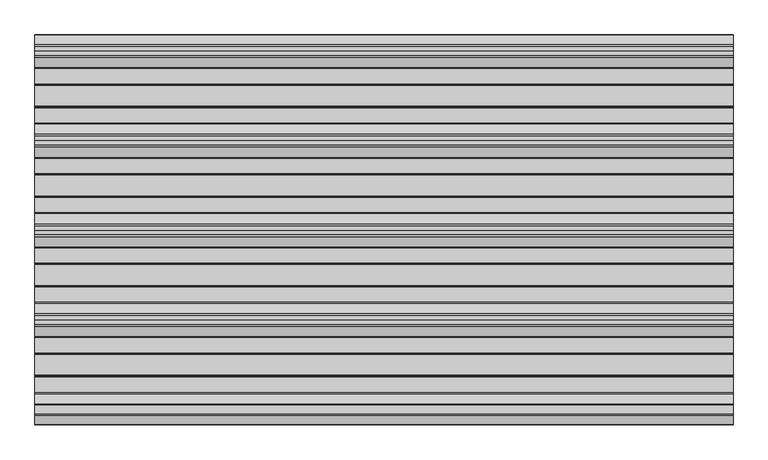
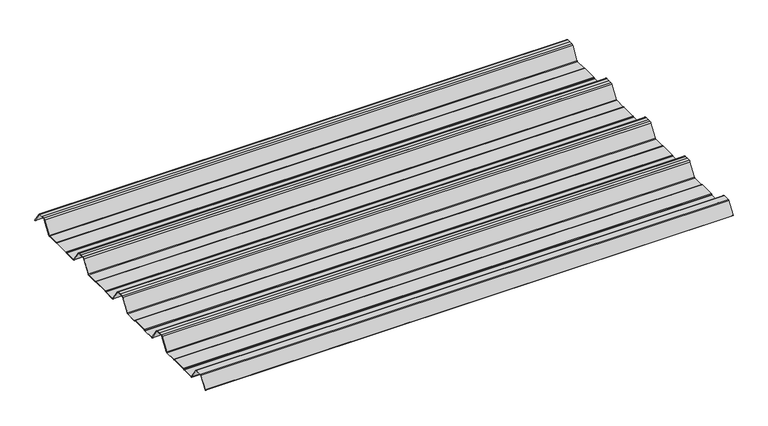
"""IFC4 building model written with IfcOpenShell, lengths in millimetres: beam geometry."""

from ifc_helpers import new_model, si_unit, point, frame, frame_2d, origin, place, context, project, spatial, polyline, circle_curve, trimmed, segment, composite_curve, outline, extrude, source, transform, mapped, element, save


def beam_51549bfa(model_context):
    return source(origin(), model_context, "Body", "SweptSolid", [
        extrude(outline(composite_curve([segment(polyline([(42.8221294, -24.7896475), (85.1084274, -24.7896475)]), True, "CONTINUOUS"), segment(trimmed(circle_curve(frame_2d((85.1084274, -23.5700111)), 1.2196364), [point((85.1084274, -24.7896475))], [point((85.8923943, -24.504307))], True, "CARTESIAN"), True, "CONTINUOUS"), segment(polyline([(85.8923943, -24.504307), (86.9460452, -23.6201894)]), True, "CONTINUOUS"), segment(trimmed(circle_curve(frame_2d((89.2279412, -26.3396487)), 3.5500012), [point((86.9460452, -23.6201894))], [point((89.2279412, -22.7896475))], False, "CARTESIAN"), True, "CONTINUOUS"), segment(polyline([(89.2279412, -22.7896475), (143.2720588, -22.7896475)]), True, "CONTINUOUS"), segment(trimmed(circle_curve(frame_2d((143.2720588, -26.3396487)), 3.5500012), [point((143.2720588, -22.7896475))], [point((145.5539548, -23.6201894))], False, "CARTESIAN"), True, "CONTINUOUS"), segment(polyline([(145.5539548, -23.6201894), (146.6076057, -24.504307)]), True, "CONTINUOUS"), segment(trimmed(circle_curve(frame_2d((147.3915726, -23.5700111)), 1.2196364), [point((146.6076057, -24.504307))], [point((147.3915726, -24.7896475))], True, "CARTESIAN"), True, "CONTINUOUS"), segment(polyline([(147.3915726, -24.7896475), (186.4999995, -24.7896475)]), True, "CONTINUOUS"), segment(trimmed(circle_curve(frame_2d((186.4999995, -21.3396478)), 3.4499996), [point((186.4999995, -24.7896475))], [point((189.3260739, -23.3184861))], True, "CARTESIAN"), True, "CONTINUOUS"), segment(polyline([(189.3260739, -23.3184861), (215.6345542, 16.4172784)]), True, "CONTINUOUS"), segment(trimmed(circle_curve(frame_2d((221.0, 12.6603525)), 6.55), [point((215.6345542, 16.4172784))], [point((221.0, 19.2103525))], False, "CARTESIAN"), True, "CONTINUOUS"), segment(polyline([(221.0, 19.2103525), (232.5, 19.2103525), (244.0, 19.2103525)]), True, "CONTINUOUS"), segment(trimmed(circle_curve(frame_2d((244.0, 12.6603525)), 6.55), [point((244.0, 19.2103525))], [point((249.3654458, 16.4172784))], False, "CARTESIAN"), True, "CONTINUOUS"), segment(polyline([(249.3654458, 16.4172784), (275.6739261, -23.3184861)]), True, "CONTINUOUS"), segment(trimmed(circle_curve(frame_2d((278.5000005, -21.3396478)), 3.4499996), [point((275.6739261, -23.3184861))], [point((278.5000005, -24.7896475))], True, "CARTESIAN"), True, "CONTINUOUS"), segment(polyline([(278.5000005, -24.7896475), (317.6084274, -24.7896475)]), True, "CONTINUOUS"), segment(trimmed(circle_curve(frame_2d((317.6084274, -23.5700111)), 1.2196364), [point((317.6084274, -24.7896475))], [point((318.3923943, -24.504307))], True, "CARTESIAN"), True, "CONTINUOUS"), segment(polyline([(318.3923943, -24.504307), (319.4460452, -23.6201894)]), True, "CONTINUOUS"), segment(trimmed(circle_curve(frame_2d((321.7279412, -26.3396487)), 3.5500012), [point((319.4460452, -23.6201894))], [point((321.7279412, -22.7896475))], False, "CARTESIAN"), True, "CONTINUOUS"), segment(polyline([(321.7279412, -22.7896475), (375.7720588, -22.7896475)]), True, "CONTINUOUS"), segment(trimmed(circle_curve(frame_2d((375.7720588, -26.3396487)), 3.5500012), [point((375.7720588, -22.7896475))], [point((378.0539548, -23.6201894))], False, "CARTESIAN"), True, "CONTINUOUS"), segment(polyline([(378.0539548, -23.6201894), (379.1076057, -24.504307)]), True, "CONTINUOUS"), segment(trimmed(circle_curve(frame_2d((379.8915726, -23.5700111)), 1.2196364), [point((379.1076057, -24.504307))], [point((379.8915726, -24.7896475))], True, "CARTESIAN"), True, "CONTINUOUS"), segment(polyline([(379.8915726, -24.7896475), (418.9999995, -24.7896475)]), True, "CONTINUOUS"), segment(trimmed(circle_curve(frame_2d((418.9999995, -21.3396478)), 3.4499996), [point((418.9999995, -24.7896475))], [point((421.8260739, -23.3184861))], True, "CARTESIAN"), True, "CONTINUOUS"), segment(polyline([(421.8260739, -23.3184861), (448.1345542, 16.4172784)]), True, "CONTINUOUS"), segment(trimmed(circle_curve(frame_2d((453.5, 12.6603525)), 6.55), [point((448.1345542, 16.4172784))], [point((453.5, 19.2103525))], False, "CARTESIAN"), True, "CONTINUOUS"), segment(polyline([(453.5, 19.2103525), (465.0, 19.2103525), (476.5, 19.2103525)]), True, "CONTINUOUS"), segment(trimmed(circle_curve(frame_2d((476.5, 12.6603525)), 6.55), [point((476.5, 19.2103525))], [point((481.8654458, 16.4172784))], False, "CARTESIAN"), True, "CONTINUOUS"), segment(polyline([(481.8654458, 16.4172784), (508.1739261, -23.3184861)]), True, "CONTINUOUS"), segment(trimmed(circle_curve(frame_2d((511.0000005, -21.3396478)), 3.4499996), [point((508.1739261, -23.3184861))], [point((511.0000005, -24.7896475))], True, "CARTESIAN"), True, "CONTINUOUS"), segment(polyline([(511.0000005, -24.7896475), (550.1084274, -24.7896475)]), True, "CONTINUOUS"), segment(trimmed(circle_curve(frame_2d((550.1084274, -23.5700111)), 1.2196364), [point((550.1084274, -24.7896475))], [point((550.8923943, -24.504307))], True, "CARTESIAN"), True, "CONTINUOUS"), segment(polyline([(550.8923943, -24.504307), (551.9460452, -23.6201894)]), True, "CONTINUOUS"), segment(trimmed(circle_curve(frame_2d((554.2279412, -26.3396487)), 3.5500012), [point((551.9460452, -23.6201894))], [point((554.2279412, -22.7896475))], False, "CARTESIAN"), True, "CONTINUOUS"), segment(polyline([(554.2279412, -22.7896475), (608.2720588, -22.7896475)]), True, "CONTINUOUS"), segment(trimmed(circle_curve(frame_2d((608.2720588, -26.3396487)), 3.5500012), [point((608.2720588, -22.7896475))], [point((610.5539548, -23.6201894))], False, "CARTESIAN"), True, "CONTINUOUS"), segment(polyline([(610.5539548, -23.6201894), (611.6076057, -24.504307)]), True, "CONTINUOUS"), segment(trimmed(circle_curve(frame_2d((612.3915726, -23.5700111)), 1.2196364), [point((611.6076057, -24.504307))], [point((612.3915726, -24.7896475))], True, "CARTESIAN"), True, "CONTINUOUS"), segment(polyline([(612.3915726, -24.7896475), (651.4999995, -24.7896475)]), True, "CONTINUOUS"), segment(trimmed(circle_curve(frame_2d((651.4999995, -21.3396478)), 3.4499996), [point((651.4999995, -24.7896475))], [point((654.3260739, -23.3184861))], True, "CARTESIAN"), True, "CONTINUOUS"), segment(polyline([(654.3260739, -23.3184861), (680.6345542, 16.4172784)]), True, "CONTINUOUS"), segment(trimmed(circle_curve(frame_2d((686.0, 12.6603525)), 6.55), [point((680.6345542, 16.4172784))], [point((686.0, 19.2103525))], False, "CARTESIAN"), True, "CONTINUOUS"), segment(polyline([(686.0, 19.2103525), (697.5, 19.2103525), (709.0, 19.2103525)]), True, "CONTINUOUS"), segment(trimmed(circle_curve(frame_2d((709.0, 12.6603525)), 6.55), [point((709.0, 19.2103525))], [point((714.3654458, 16.4172784))], False, "CARTESIAN"), True, "CONTINUOUS"), segment(polyline([(714.3654458, 16.4172784), (740.6739261, -23.3184861)]), True, "CONTINUOUS"), segment(trimmed(circle_curve(frame_2d((743.5000005, -21.3396478)), 3.4499996), [point((740.6739261, -23.3184861))], [point((743.5000005, -24.7896475))], True, "CARTESIAN"), True, "CONTINUOUS"), segment(polyline([(743.5000005, -24.7896475), (782.6084274, -24.7896475)]), True, "CONTINUOUS"), segment(trimmed(circle_curve(frame_2d((782.6084274, -23.5700111)), 1.2196364), [point((782.6084274, -24.7896475))], [point((783.3923943, -24.504307))], True, "CARTESIAN"), True, "CONTINUOUS"), segment(polyline([(783.3923943, -24.504307), (784.4460452, -23.6201894)]), True, "CONTINUOUS"), segment(trimmed(circle_curve(frame_2d((786.7279412, -26.3396487)), 3.5500012), [point((784.4460452, -23.6201894))], [point((786.7279412, -22.7896475))], False, "CARTESIAN"), True, "CONTINUOUS"), segment(polyline([(786.7279412, -22.7896475), (840.7720588, -22.7896475)]), True, "CONTINUOUS"), segment(trimmed(circle_curve(frame_2d((840.7720588, -26.3396487)), 3.5500012), [point((840.7720588, -22.7896475))], [point((843.0539548, -23.6201894))], False, "CARTESIAN"), True, "CONTINUOUS"), segment(polyline([(843.0539548, -23.6201894), (844.1076057, -24.504307)]), True, "CONTINUOUS"), segment(trimmed(circle_curve(frame_2d((844.8915726, -23.5700111)), 1.2196364), [point((844.1076057, -24.504307))], [point((844.8915726, -24.7896475))], True, "CARTESIAN"), True, "CONTINUOUS"), segment(polyline([(844.8915726, -24.7896475), (883.9999995, -24.7896475)]), True, "CONTINUOUS"), segment(trimmed(circle_curve(frame_2d((883.9999995, -21.3396478)), 3.4499996), [point((883.9999995, -24.7896475))], [point((886.8260739, -23.3184861))], True, "CARTESIAN"), True, "CONTINUOUS"), segment(polyline([(886.8260739, -23.3184861), (913.1345542, 16.4172784)]), True, "CONTINUOUS"), segment(trimmed(circle_curve(frame_2d((918.5, 12.6603525)), 6.55), [point((913.1345542, 16.4172784))], [point((918.5, 19.2103525))], False, "CARTESIAN"), True, "CONTINUOUS"), segment(polyline([(918.5, 19.2103525), (930.0, 19.2103525), (941.5, 19.2103525)]), True, "CONTINUOUS"), segment(trimmed(circle_curve(frame_2d((941.5, 12.6603525)), 6.55), [point((941.5, 19.2103525))], [point((946.8654458, 16.4172784))], False, "CARTESIAN"), True, "CONTINUOUS"), segment(polyline([(946.8654458, 16.4172784), (970.8053395, -19.7410236)]), True, "CONTINUOUS"), segment(trimmed(circle_curve(frame_2d((970.3884349, -20.0170501)), 0.5), [point((970.8053395, -19.7410236))], [point((969.9715304, -20.2930766))], False, "CARTESIAN"), True, "CONTINUOUS"), segment(polyline([(969.9715304, -20.2930766), (946.0391227, 15.8539187)]), True, "CONTINUOUS"), segment(trimmed(circle_curve(frame_2d((941.5, 12.6603525)), 5.55), [point((946.0391227, 15.8539187))], [point((941.5, 18.2103525))], True, "CARTESIAN"), True, "CONTINUOUS"), segment(polyline([(941.5, 18.2103525), (930.0, 18.2103525), (918.5, 18.2103525)]), True, "CONTINUOUS"), segment(trimmed(circle_curve(frame_2d((918.5, 12.6603525)), 5.55), [point((918.5, 18.2103525))], [point((913.9608773, 15.8539187))], True, "CARTESIAN"), True, "CONTINUOUS"), segment(polyline([(913.9608773, 15.8539187), (887.6531515, -23.8807062)]), True, "CONTINUOUS"), segment(trimmed(circle_curve(frame_2d((883.9999995, -21.3396478)), 4.4499996), [point((887.6531515, -23.8807062))], [point((883.9999995, -25.7896475))], False, "CARTESIAN"), True, "CONTINUOUS"), segment(polyline([(883.9999995, -25.7896475), (844.611448, -25.7896475)]), True, "CONTINUOUS"), segment(trimmed(circle_curve(frame_2d((844.611448, -24.3396475)), 1.45), [point((844.611448, -25.7896475))], [point((843.6794063, -25.4504122))], False, "CARTESIAN"), True, "CONTINUOUS"), segment(polyline([(843.6794063, -25.4504122), (842.4111674, -24.386234)]), True, "CONTINUOUS"), segment(trimmed(circle_curve(frame_2d((840.7720588, -26.3396487)), 2.5500012), [point((842.4111674, -24.386234))], [point((840.7720588, -23.7896475))], True, "CARTESIAN"), True, "CONTINUOUS"), segment(polyline([(840.7720588, -23.7896475), (786.7279412, -23.7896475)]), True, "CONTINUOUS"), segment(trimmed(circle_curve(frame_2d((786.7279412, -26.3396487)), 2.5500012), [point((786.7279412, -23.7896475))], [point((785.0888326, -24.386234))], True, "CARTESIAN"), True, "CONTINUOUS"), segment(polyline([(785.0888326, -24.386234), (783.8205937, -25.4504122)]), True, "CONTINUOUS"), segment(trimmed(circle_curve(frame_2d((782.888552, -24.3396475)), 1.45), [point((783.8205937, -25.4504122))], [point((782.888552, -25.7896475))], False, "CARTESIAN"), True, "CONTINUOUS"), segment(polyline([(782.888552, -25.7896475), (743.5000005, -25.7896475)]), True, "CONTINUOUS"), segment(trimmed(circle_curve(frame_2d((743.5000005, -21.3396478)), 4.4499996), [point((743.5000005, -25.7896475))], [point((739.8468485, -23.8807062))], False, "CARTESIAN"), True, "CONTINUOUS"), segment(polyline([(739.8468485, -23.8807062), (713.5391227, 15.8539187)]), True, "CONTINUOUS"), segment(trimmed(circle_curve(frame_2d((709.0, 12.6603525)), 5.55), [point((713.5391227, 15.8539187))], [point((709.0, 18.2103525))], True, "CARTESIAN"), True, "CONTINUOUS"), segment(polyline([(709.0, 18.2103525), (697.5, 18.2103525), (686.0, 18.2103525)]), True, "CONTINUOUS"), segment(trimmed(circle_curve(frame_2d((686.0, 12.6603525)), 5.55), [point((686.0, 18.2103525))], [point((681.4608773, 15.8539187))], True, "CARTESIAN"), True, "CONTINUOUS"), segment(polyline([(681.4608773, 15.8539187), (655.1531515, -23.8807062)]), True, "CONTINUOUS"), segment(trimmed(circle_curve(frame_2d((651.4999995, -21.3396478)), 4.4499996), [point((655.1531515, -23.8807062))], [point((651.4999995, -25.7896475))], False, "CARTESIAN"), True, "CONTINUOUS"), segment(polyline([(651.4999995, -25.7896475), (612.111448, -25.7896475)]), True, "CONTINUOUS"), segment(trimmed(circle_curve(frame_2d((612.111448, -24.3396475)), 1.45), [point((612.111448, -25.7896475))], [point((611.1794063, -25.4504122))], False, "CARTESIAN"), True, "CONTINUOUS"), segment(polyline([(611.1794063, -25.4504122), (609.9111674, -24.386234)]), True, "CONTINUOUS"), segment(trimmed(circle_curve(frame_2d((608.2720588, -26.3396487)), 2.5500012), [point((609.9111674, -24.386234))], [point((608.2720588, -23.7896475))], True, "CARTESIAN"), True, "CONTINUOUS"), segment(polyline([(608.2720588, -23.7896475), (554.2279412, -23.7896475)]), True, "CONTINUOUS"), segment(trimmed(circle_curve(frame_2d((554.2279412, -26.3396487)), 2.5500012), [point((554.2279412, -23.7896475))], [point((552.5888326, -24.386234))], True, "CARTESIAN"), True, "CONTINUOUS"), segment(polyline([(552.5888326, -24.386234), (551.3205937, -25.4504122)]), True, "CONTINUOUS"), segment(trimmed(circle_curve(frame_2d((550.388552, -24.3396475)), 1.45), [point((551.3205937, -25.4504122))], [point((550.388552, -25.7896475))], False, "CARTESIAN"), True, "CONTINUOUS"), segment(polyline([(550.388552, -25.7896475), (511.0000005, -25.7896475)]), True, "CONTINUOUS"), segment(trimmed(circle_curve(frame_2d((511.0000005, -21.3396478)), 4.4499996), [point((511.0000005, -25.7896475))], [point((507.3468485, -23.8807062))], False, "CARTESIAN"), True, "CONTINUOUS"), segment(polyline([(507.3468485, -23.8807062), (481.0391227, 15.8539187)]), True, "CONTINUOUS"), segment(trimmed(circle_curve(frame_2d((476.5, 12.6603525)), 5.55), [point((481.0391227, 15.8539187))], [point((476.5, 18.2103525))], True, "CARTESIAN"), True, "CONTINUOUS"), segment(polyline([(476.5, 18.2103525), (465.0, 18.2103525), (453.5, 18.2103525)]), True, "CONTINUOUS"), segment(trimmed(circle_curve(frame_2d((453.5, 12.6603525)), 5.55), [point((453.5, 18.2103525))], [point((448.9608773, 15.8539187))], True, "CARTESIAN"), True, "CONTINUOUS"), segment(polyline([(448.9608773, 15.8539187), (422.6531515, -23.8807062)]), True, "CONTINUOUS"), segment(trimmed(circle_curve(frame_2d((418.9999995, -21.3396478)), 4.4499996), [point((422.6531515, -23.8807062))], [point((418.9999995, -25.7896475))], False, "CARTESIAN"), True, "CONTINUOUS"), segment(polyline([(418.9999995, -25.7896475), (379.611448, -25.7896475)]), True, "CONTINUOUS"), segment(trimmed(circle_curve(frame_2d((379.611448, -24.3396475)), 1.45), [point((379.611448, -25.7896475))], [point((378.6794063, -25.4504122))], False, "CARTESIAN"), True, "CONTINUOUS"), segment(polyline([(378.6794063, -25.4504122), (377.4111674, -24.386234)]), True, "CONTINUOUS"), segment(trimmed(circle_curve(frame_2d((375.7720588, -26.3396487)), 2.5500012), [point((377.4111674, -24.386234))], [point((375.7720588, -23.7896475))], True, "CARTESIAN"), True, "CONTINUOUS"), segment(polyline([(375.7720588, -23.7896475), (321.7279412, -23.7896475)]), True, "CONTINUOUS"), segment(trimmed(circle_curve(frame_2d((321.7279412, -26.3396487)), 2.5500012), [point((321.7279412, -23.7896475))], [point((320.0888326, -24.386234))], True, "CARTESIAN"), True, "CONTINUOUS"), segment(polyline([(320.0888326, -24.386234), (318.8205937, -25.4504122)]), True, "CONTINUOUS"), segment(trimmed(circle_curve(frame_2d((317.888552, -24.3396475)), 1.45), [point((318.8205937, -25.4504122))], [point((317.888552, -25.7896475))], False, "CARTESIAN"), True, "CONTINUOUS"), segment(polyline([(317.888552, -25.7896475), (278.5000005, -25.7896475)]), True, "CONTINUOUS"), segment(trimmed(circle_curve(frame_2d((278.5000005, -21.3396478)), 4.4499996), [point((278.5000005, -25.7896475))], [point((274.8468485, -23.8807062))], False, "CARTESIAN"), True, "CONTINUOUS"), segment(polyline([(274.8468485, -23.8807062), (248.5391227, 15.8539187)]), True, "CONTINUOUS"), segment(trimmed(circle_curve(frame_2d((244.0, 12.6603525)), 5.55), [point((248.5391227, 15.8539187))], [point((244.0, 18.2103525))], True, "CARTESIAN"), True, "CONTINUOUS"), segment(polyline([(244.0, 18.2103525), (232.5, 18.2103525), (221.0, 18.2103525)]), True, "CONTINUOUS"), segment(trimmed(circle_curve(frame_2d((221.0, 12.6603525)), 5.55), [point((221.0, 18.2103525))], [point((216.4608773, 15.8539187))], True, "CARTESIAN"), True, "CONTINUOUS"), segment(polyline([(216.4608773, 15.8539187), (190.1531515, -23.8807062)]), True, "CONTINUOUS"), segment(trimmed(circle_curve(frame_2d((186.4999995, -21.3396478)), 4.4499996), [point((190.1531515, -23.8807062))], [point((186.4999995, -25.7896475))], False, "CARTESIAN"), True, "CONTINUOUS"), segment(polyline([(186.4999995, -25.7896475), (147.111448, -25.7896475)]), True, "CONTINUOUS"), segment(trimmed(circle_curve(frame_2d((147.111448, -24.3396475)), 1.45), [point((147.111448, -25.7896475))], [point((146.1794063, -25.4504122))], False, "CARTESIAN"), True, "CONTINUOUS"), segment(polyline([(146.1794063, -25.4504122), (144.9111674, -24.386234)]), True, "CONTINUOUS"), segment(trimmed(circle_curve(frame_2d((143.2720588, -26.3396487)), 2.5500012), [point((144.9111674, -24.386234))], [point((143.2720588, -23.7896475))], True, "CARTESIAN"), True, "CONTINUOUS"), segment(polyline([(143.2720588, -23.7896475), (89.2279412, -23.7896475)]), True, "CONTINUOUS"), segment(trimmed(circle_curve(frame_2d((89.2279412, -26.3396487)), 2.5500012), [point((89.2279412, -23.7896475))], [point((87.5888326, -24.386234))], True, "CARTESIAN"), True, "CONTINUOUS"), segment(polyline([(87.5888326, -24.386234), (86.3205937, -25.4504122)]), True, "CONTINUOUS"), segment(trimmed(circle_curve(frame_2d((85.388552, -24.3396475)), 1.45), [point((86.3205937, -25.4504122))], [point((85.388552, -25.7896475))], False, "CARTESIAN"), True, "CONTINUOUS"), segment(polyline([(85.388552, -25.7896475), (42.8221294, -25.7896475)]), True, "CONTINUOUS"), segment(trimmed(circle_curve(frame_2d((42.8221294, -22.7927378)), 2.9969096), [point((42.8221294, -25.7896475))], [point((40.3232791, -24.4471908))], False, "CARTESIAN"), True, "CONTINUOUS"), segment(polyline([(40.3232791, -24.4471908), (14.3888612, 14.7235977)]), True, "CONTINUOUS"), segment(trimmed(circle_curve(frame_2d((11.5, 12.6603525)), 3.55), [point((14.3888612, 14.7235977))], [point((11.5, 16.2103525))], True, "CARTESIAN"), True, "CONTINUOUS"), segment(polyline([(11.5, 16.2103525), (-11.5, 16.2103525)]), True, "CONTINUOUS"), segment(trimmed(circle_curve(frame_2d((-11.5, 12.6603525)), 3.55), [point((-11.5, 16.2103525))], [point((-14.3888612, 14.7235977))], True, "CARTESIAN"), True, "CONTINUOUS"), segment(polyline([(-14.3888612, 14.7235977), (-39.3839622, -23.0284667)]), True, "CONTINUOUS"), segment(trimmed(circle_curve(frame_2d((-39.8008667, -22.7524402)), 0.5), [point((-39.3839622, -23.0284667))], [point((-40.2177712, -22.4764137))], False, "CARTESIAN"), True, "CONTINUOUS"), segment(polyline([(-40.2177712, -22.4764137), (-15.2135106, 15.2894853)]), True, "CONTINUOUS"), segment(trimmed(circle_curve(frame_2d((-11.5, 12.6603525)), 4.55), [point((-15.2135106, 15.2894853))], [point((-11.5, 17.2103525))], False, "CARTESIAN"), True, "CONTINUOUS"), segment(polyline([(-11.5, 17.2103525), (11.5, 17.2103525)]), True, "CONTINUOUS"), segment(trimmed(circle_curve(frame_2d((11.5, 12.6603525)), 4.55), [point((11.5, 17.2103525))], [point((15.2135106, 15.2894853))], False, "CARTESIAN"), True, "CONTINUOUS"), segment(polyline([(15.2135106, 15.2894853), (41.1570881, -23.8951378)]), True, "CONTINUOUS"), segment(trimmed(circle_curve(frame_2d((42.8221294, -22.7927378)), 1.9969096), [point((41.1570881, -23.8951378))], [point((42.8221294, -24.7896475))], True, "CARTESIAN"), True, "CONTINUOUS")], self_intersect=False)), frame((-905.0, 0.0, 0.0), z_axis=(1.0, 0.0, 0.0), x_axis=(0.0, 1.0, 0.0)), (0.0, 0.0, 1.0), 1810.0),
    ])


if __name__ == "__main__":
    model = new_model("IFC4")
    model_context = context("Model", 3, world=origin())
    ifc_project = project(units=[si_unit("LENGTHUNIT", "METRE", prefix="MILLI")], contexts=[model_context])
    site = spatial("IfcSite", under=ifc_project)
    building = spatial("IfcBuilding", under=site)
    placement = place(None, origin())
    beam_shape = beam_51549bfa(model_context)
    element("IfcBeam", 1, at=placement, inside=building, context=model_context, shape_type="MappedRepresentation", body=[
        mapped(beam_shape, transform((0.0, 0.0, 0.0), x_axis=(1.0, 0.0, 0.0), y_axis=(0.0, 1.0, 0.0), z_axis=(0.0, 0.0, 1.0))),
    ])
    save(model, "model.ifc")
